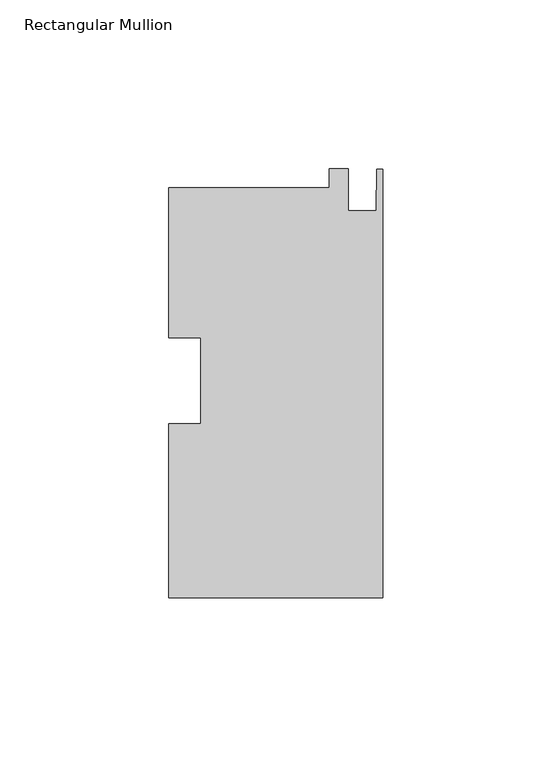
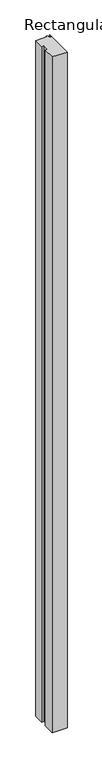
"""IFC4 building model written with IfcOpenShell, lengths in millimetres: member geometry, Rectangular Mullion."""

from ifc_helpers import new_model, si_unit, frame, origin, place, context, project, spatial, polyline, outline, extrude, source, transform, mapped, element, save


def rectangular_mullion_468f5213(model_context):
    return source(origin(), model_context, "Body", "SweptSolid", [
        extrude(outline(polyline([(-63.5, -64.2379316), (-63.5, -12.733639), (-53.975, -12.733639), (-53.975, 12.7822277), (-63.5, 12.7822277), (-63.5, 57.1994684), (-15.875, 57.1994684), (-15.875, 62.9079779), (-10.3124, 62.9079779), (-10.3124, 50.4176684), (-2.032, 50.4176684), (-1.778, 62.7620684), (0.0, 62.7620684), (0.0, -64.2379316), (-63.5, -64.2379316)])), frame((0.0, 0.0, -3048.0), z_axis=(0.0, 0.0, 1.0), x_axis=(1.0, 0.0, 0.0)), (0.0, 0.0, 1.0), 3048.0),
    ])


if __name__ == "__main__":
    model = new_model("IFC4")
    model_context = context("Model", 3, world=origin())
    ifc_project = project(units=[si_unit("LENGTHUNIT", "METRE", prefix="MILLI")], contexts=[model_context])
    site = spatial("IfcSite", under=ifc_project)
    building = spatial("IfcBuilding", under=site)
    placement = place(None, origin())
    rectangular_mullion_shape = rectangular_mullion_468f5213(model_context)
    element("IfcMember", 1, ObjectType="Rectangular Mullion", at=placement, inside=building, context=model_context, shape_type="MappedRepresentation", body=[
        mapped(rectangular_mullion_shape, transform((0.0, 0.0, 0.0), x_axis=(1.0, 0.0, 0.0), y_axis=(0.0, 1.0, 0.0), z_axis=(0.0, 0.0, 1.0))),
    ])
    save(model, "model.ifc")
